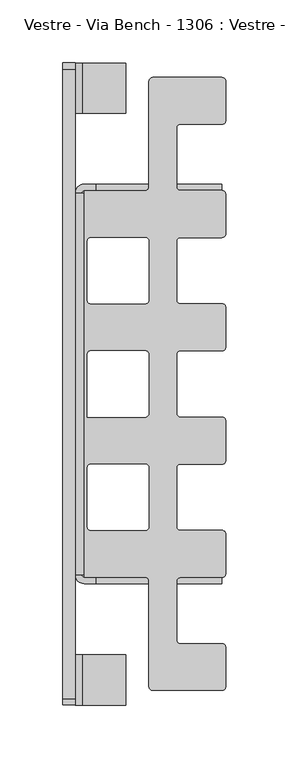
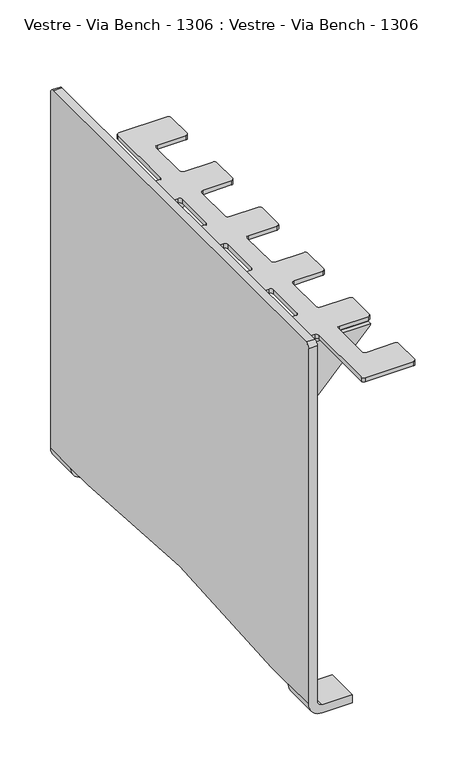
"""IFC4 building model written with IfcOpenShell, lengths in millimetres: furniture geometry, Vestre - Via Bench - 1306 : Vestre - Via Bench - 1306."""

from ifc_helpers import new_model, si_unit, frame, origin, place, context, project, spatial, polyline, circle_curve, source, transform, mapped, element, save
from ifc_brep_helpers import plane_surface, cylinder_surface, revolved_surface, advanced_brep


def vestre_via_bench_1306_vestre_via_bench_1306_e9e37e2b(model_context):
    return source(origin(), model_context, "Body", "AdvancedBrep", [
        advanced_brep(
        [(-885.5, -29.3, 378.0003634), (-888.5, -26.3, 378.0003634), (-921.5, -26.3, 378.0003634), (-924.5, -23.3, 378.0003634), (-924.5, 23.3, 378.0003634), (-921.5, 26.3, 378.0003634), (-888.5, 26.3, 378.0003634), (-885.5, 29.3, 378.0003634), (-885.5, 60.7, 378.0003634), (-888.5, 63.7, 378.0003634), (-921.5, 63.7, 378.0003634), (-924.5, 66.7, 378.0003634), (-924.5, 113.3, 378.0003634), (-921.5, 116.3, 378.0003634), (-888.5, 116.3, 378.0003634), (-885.5, 119.3, 378.0003634), (-885.5, 150.7, 378.0003634), (-888.5, 153.7, 378.0003634), (-921.5, 153.7, 378.0003634), (-924.5, 156.7, 378.0003634), (-924.5, 203.3, 378.0003634), (-921.5, 206.3, 378.0003634), (-888.5, 206.3, 378.0003634), (-885.5, 209.3, 378.0003634), (-885.5, 240.5, 378.0003634), (-888.5, 243.5, 378.0003634), (-943.5, 243.5, 378.0003634), (-946.5, 240.5, 378.0003634), (-946.5, 156.6, 378.0003634), (-949.5, 153.6, 378.0003634), (-998.0, 153.6, 378.0003634), (-998.0, 151.6, 378.0003634), (-998.0, -151.6, 378.0003634), (-998.0, -153.6, 378.0003634), (-949.5, -153.6, 378.0003634), (-946.5, -156.6, 378.0003634), (-946.5, -240.5, 378.0003634), (-943.5, -243.5, 378.0003634), (-888.5, -243.5, 378.0003634), (-885.5, -240.5, 378.0003634), (-885.5, -209.3, 378.0003634), (-888.5, -206.3, 378.0003634), (-921.5, -206.3, 378.0003634), (-924.5, -203.3, 378.0003634), (-924.5, -156.7, 378.0003634), (-921.5, -153.7, 378.0003634), (-888.5, -153.7, 378.0003634), (-885.5, -150.7, 378.0003634), (-885.5, -119.3, 378.0003634), (-888.5, -116.3, 378.0003634), (-921.5, -116.3, 378.0003634), (-924.5, -113.3, 378.0003634), (-924.5, -66.7, 378.0003634), (-921.5, -63.7, 378.0003634), (-888.5, -63.7, 378.0003634), (-885.5, -60.7, 378.0003634), (-949.5, -63.7, 378.0003634), (-946.5, -66.7, 378.0003634), (-946.5, -113.3, 378.0003634), (-949.5, -116.3, 378.0003634), (-992.5, -116.3, 378.0003634), (-995.5, -113.3, 378.0003634), (-995.5, -66.7, 378.0003634), (-992.5, -63.7, 378.0003634), (-949.5, 26.3, 378.0003634), (-946.5, 23.3, 378.0003634), (-946.5, -23.3, 378.0003634), (-949.5, -26.3, 378.0003634), (-995.5, -26.3, 378.0003634), (-995.5, 23.3, 378.0003634), (-992.5, 26.3, 378.0003634), (-949.5, 116.3, 378.0003634), (-946.5, 113.3, 378.0003634), (-946.5, 66.7, 378.0003634), (-949.5, 63.7, 378.0003634), (-992.5, 63.7, 378.0003634), (-995.5, 66.7, 378.0003634), (-995.5, 113.3, 378.0003634), (-992.5, 116.3, 378.0003634), (-885.5, -29.3, 373.0003634), (-885.5, -60.7, 373.0003634), (-888.5, -63.7, 373.0003634), (-921.5, -63.7, 373.0003634), (-924.5, -66.7, 373.0003634), (-924.5, -113.3, 373.0003634), (-921.5, -116.3, 373.0003634), (-888.5, -116.3, 373.0003634), (-885.5, -119.3, 373.0003634), (-885.5, -150.7, 373.0003634), (-888.5, -153.7, 373.0003634), (-921.5, -153.7, 373.0003634), (-924.5, -156.7, 373.0003634), (-924.5, -203.3, 373.0003634), (-921.5, -206.3, 373.0003634), (-888.5, -206.3, 373.0003634), (-885.5, -209.3, 373.0003634), (-885.5, -240.5, 373.0003634), (-888.5, -243.5, 373.0003634), (-943.5, -243.5, 373.0003634), (-946.5, -240.5, 373.0003634), (-946.5, -156.6, 373.0003634), (-949.5, -153.6, 373.0003634), (-998.0, -153.6, 373.0003634), (-998.0, -151.6, 373.0003634), (-998.0, 151.6, 373.0003634), (-998.0, 153.6, 373.0003634), (-949.5, 153.6, 373.0003634), (-946.5, 156.6, 373.0003634), (-946.5, 240.5, 373.0003634), (-943.5, 243.5, 373.0003634), (-888.5, 243.5, 373.0003634), (-885.5, 240.5, 373.0003634), (-885.5, 209.3, 373.0003634), (-888.5, 206.3, 373.0003634), (-921.5, 206.3, 373.0003634), (-924.5, 203.3, 373.0003634), (-924.5, 156.7, 373.0003634), (-921.5, 153.7, 373.0003634), (-888.5, 153.7, 373.0003634), (-885.5, 150.7, 373.0003634), (-885.5, 119.3, 373.0003634), (-888.5, 116.3, 373.0003634), (-921.5, 116.3, 373.0003634), (-924.5, 113.3, 373.0003634), (-924.5, 66.7, 373.0003634), (-921.5, 63.7, 373.0003634), (-888.5, 63.7, 373.0003634), (-885.5, 60.7, 373.0003634), (-885.5, 29.3, 373.0003634), (-888.5, 26.3, 373.0003634), (-921.5, 26.3, 373.0003634), (-924.5, 23.3, 373.0003634), (-924.5, -23.3, 373.0003634), (-921.5, -26.3, 373.0003634), (-888.5, -26.3, 373.0003634), (-949.5, -63.7, 373.0003634), (-992.5, -63.7, 373.0003634), (-995.5, -66.7, 373.0003634), (-995.5, -113.3, 373.0003634), (-992.5, -116.3, 373.0003634), (-949.5, -116.3, 373.0003634), (-946.5, -113.3, 373.0003634), (-946.5, -66.7, 373.0003634), (-949.5, 26.3, 373.0003634), (-992.5, 26.3, 373.0003634), (-995.5, 23.3, 373.0003634), (-995.5, -26.3, 373.0003634), (-949.5, -26.3, 373.0003634), (-946.5, -23.3, 373.0003634), (-946.5, 23.3, 373.0003634), (-949.5, 116.3, 373.0003634), (-992.5, 116.3, 373.0003634), (-995.5, 113.3, 373.0003634), (-995.5, 66.7, 373.0003634), (-992.5, 63.7, 373.0003634), (-949.5, 63.7, 373.0003634), (-946.5, 66.7, 373.0003634), (-946.5, 113.3, 373.0003634), (-1005.0, -151.6, 371.0003634), (-1000.0, -151.6, 371.0003634), (-1000.0, 151.6, 371.0003634), (-1005.0, 151.6, 371.0003634), (-1005.0, 151.6, 275.8503634), (-1005.0, -151.6, 275.8503634), (-998.0, 158.6, 275.8503634), (-979.2967433, 158.6, 275.8503634), (-979.2967433, 153.6, 275.8503634), (-998.0, 153.6, 275.8503634), (-1000.0, 151.6, 275.8503634), (-1000.0, -151.6, 275.8503634), (-998.0, -153.6, 275.8503634), (-979.2967433, -153.6, 275.8503634), (-979.2967433, -158.6, 275.8503634), (-998.0, -158.6, 275.8503634), (-988.5, -153.6, 371.0003634), (-998.0, -153.6, 371.0003634), (-998.0, -158.6, 371.0003634), (-988.5, -158.6, 371.0003634), (-988.5, -153.6, 372.0003634), (-888.5, -153.6, 372.0003634), (-889.3083814, -153.6, 370.1409501), (-977.1115366, -153.6, 276.7949141), (-977.1115366, -158.6, 276.7949141), (-889.3083814, -158.6, 370.1409501), (-888.5, -158.6, 372.0003634), (-988.5, -158.6, 372.0003634), (-988.5, 158.6, 371.0003634), (-998.0, 158.6, 371.0003634), (-998.0, 153.6, 371.0003634), (-988.5, 153.6, 371.0003634), (-977.1115366, 153.6, 276.7949141), (-889.3083814, 153.6, 370.1409501), (-888.5, 153.6, 372.0003634), (-988.5, 153.6, 372.0003634), (-988.5, 158.6, 372.0003634), (-888.5, 158.6, 372.0003634), (-889.3083814, 158.6, 370.1409501), (-977.1115366, 158.6, 276.7949141)],
        [
            (0, 1, circle_curve(frame((-888.5, -29.3, 378.0003634), z_axis=(0.0, 0.0, 1.0), x_axis=(0.0, 1.0, 0.0)), 3.0)),
            (1, 2),
            (2, 3, circle_curve(frame((-921.5, -23.3, 378.0003634), z_axis=(0.0, 0.0, -1.0), x_axis=(0.0, -1.0, 0.0)), 3.0)),
            (3, 4),
            (4, 5, circle_curve(frame((-921.5, 23.3, 378.0003634), z_axis=(0.0, 0.0, -1.0), x_axis=(-1.0, 0.0, 0.0)), 3.0)),
            (5, 6),
            (6, 7, circle_curve(frame((-888.5, 29.3, 378.0003634), z_axis=(0.0, 0.0, 1.0), x_axis=(1.0, 0.0, 0.0)), 3.0)),
            (7, 8),
            (8, 9, circle_curve(frame((-888.5, 60.7, 378.0003634), z_axis=(0.0, 0.0, 1.0), x_axis=(0.0, 1.0, 0.0)), 3.0)),
            (9, 10),
            (10, 11, circle_curve(frame((-921.5, 66.7, 378.0003634), z_axis=(0.0, 0.0, -1.0), x_axis=(0.0, -1.0, 0.0)), 3.0)),
            (11, 12),
            (12, 13, circle_curve(frame((-921.5, 113.3, 378.0003634), z_axis=(0.0, 0.0, -1.0), x_axis=(-1.0, 0.0, 0.0)), 3.0)),
            (13, 14),
            (14, 15, circle_curve(frame((-888.5, 119.3, 378.0003634), z_axis=(0.0, 0.0, 1.0), x_axis=(1.0, 0.0, 0.0)), 3.0)),
            (15, 16),
            (16, 17, circle_curve(frame((-888.5, 150.7, 378.0003634), z_axis=(0.0, 0.0, 1.0), x_axis=(0.0, 1.0, 0.0)), 3.0)),
            (17, 18),
            (18, 19, circle_curve(frame((-921.5, 156.7, 378.0003634), z_axis=(0.0, 0.0, -1.0), x_axis=(0.0, -1.0, 0.0)), 3.0)),
            (19, 20),
            (20, 21, circle_curve(frame((-921.5, 203.3, 378.0003634), z_axis=(0.0, 0.0, -1.0), x_axis=(-1.0, 0.0, 0.0)), 3.0)),
            (21, 22),
            (22, 23, circle_curve(frame((-888.5, 209.3, 378.0003634), z_axis=(0.0, 0.0, 1.0), x_axis=(1.0, 0.0, 0.0)), 3.0)),
            (23, 24),
            (24, 25, circle_curve(frame((-888.5, 240.5, 378.0003634), z_axis=(0.0, 0.0, 1.0), x_axis=(0.0, 1.0, 0.0)), 3.0)),
            (25, 26),
            (26, 27, circle_curve(frame((-943.5, 240.5, 378.0003634), z_axis=(0.0, 0.0, 1.0), x_axis=(0.0, 1.0, 0.0)), 3.0)),
            (27, 28),
            (28, 29, circle_curve(frame((-949.5, 156.6, 378.0003634), z_axis=(0.0, 0.0, -1.0), x_axis=(1.0, 0.0, 0.0)), 3.0)),
            (29, 30),
            (30, 31),
            (31, 32),
            (32, 33),
            (33, 34),
            (34, 35, circle_curve(frame((-949.5, -156.6, 378.0003634), z_axis=(0.0, 0.0, -1.0), x_axis=(0.0, 1.0, 0.0)), 3.0)),
            (35, 36),
            (36, 37, circle_curve(frame((-943.5, -240.5, 378.0003634), z_axis=(0.0, 0.0, 1.0), x_axis=(0.0, -1.0, 0.0)), 3.0)),
            (37, 38),
            (38, 39, circle_curve(frame((-888.5, -240.5, 378.0003634), z_axis=(0.0, 0.0, 1.0), x_axis=(1.0, 0.0, 0.0)), 3.0)),
            (39, 40),
            (40, 41, circle_curve(frame((-888.5, -209.3, 378.0003634), z_axis=(0.0, 0.0, 1.0), x_axis=(0.0, 1.0, 0.0)), 3.0)),
            (41, 42),
            (42, 43, circle_curve(frame((-921.5, -203.3, 378.0003634), z_axis=(0.0, 0.0, -1.0), x_axis=(0.0, -1.0, 0.0)), 3.0)),
            (43, 44),
            (44, 45, circle_curve(frame((-921.5, -156.7, 378.0003634), z_axis=(0.0, 0.0, -1.0), x_axis=(-1.0, 0.0, 0.0)), 3.0)),
            (45, 46),
            (46, 47, circle_curve(frame((-888.5, -150.7, 378.0003634), z_axis=(0.0, 0.0, 1.0), x_axis=(1.0, 0.0, 0.0)), 3.0)),
            (47, 48),
            (48, 49, circle_curve(frame((-888.5, -119.3, 378.0003634), z_axis=(0.0, 0.0, 1.0), x_axis=(0.0, 1.0, 0.0)), 3.0)),
            (49, 50),
            (50, 51, circle_curve(frame((-921.5, -113.3, 378.0003634), z_axis=(0.0, 0.0, -1.0), x_axis=(0.0, -1.0, 0.0)), 3.0)),
            (51, 52),
            (52, 53, circle_curve(frame((-921.5, -66.7, 378.0003634), z_axis=(0.0, 0.0, -1.0), x_axis=(-1.0, 0.0, 0.0)), 3.0)),
            (53, 54),
            (54, 55, circle_curve(frame((-888.5, -60.7, 378.0003634), z_axis=(0.0, 0.0, 1.0), x_axis=(1.0, 0.0, 0.0)), 3.0)),
            (55, 0),
            (56, 57, circle_curve(frame((-949.5, -66.7, 378.0003634), z_axis=(0.0, 0.0, -1.0), x_axis=(0.0, 1.0, 0.0)), 3.0)),
            (57, 58),
            (58, 59, circle_curve(frame((-949.5, -113.3, 378.0003634), z_axis=(0.0, 0.0, -1.0), x_axis=(1.0, 0.0, 0.0)), 3.0)),
            (59, 60),
            (60, 61, circle_curve(frame((-992.5, -113.3, 378.0003634), z_axis=(0.0, 0.0, -1.0), x_axis=(0.0, -1.0, 0.0)), 3.0)),
            (61, 62),
            (62, 63, circle_curve(frame((-992.5, -66.7, 378.0003634), z_axis=(0.0, 0.0, -1.0), x_axis=(-1.0, 0.0, 0.0)), 3.0)),
            (63, 56),
            (64, 65, circle_curve(frame((-949.5, 23.3, 378.0003634), z_axis=(0.0, 0.0, -1.0), x_axis=(0.0, 1.0, 0.0)), 3.0)),
            (65, 66),
            (66, 67, circle_curve(frame((-949.5, -23.3, 378.0003634), z_axis=(0.0, 0.0, -1.0), x_axis=(1.0, 0.0, 0.0)), 3.0)),
            (67, 68),
            (68, 69),
            (69, 70, circle_curve(frame((-992.5, 23.3, 378.0003634), z_axis=(0.0, 0.0, -1.0), x_axis=(-1.0, 0.0, 0.0)), 3.0)),
            (70, 64),
            (71, 72, circle_curve(frame((-949.5, 113.3, 378.0003634), z_axis=(0.0, 0.0, -1.0), x_axis=(0.0, 1.0, 0.0)), 3.0)),
            (72, 73),
            (73, 74, circle_curve(frame((-949.5, 66.7, 378.0003634), z_axis=(0.0, 0.0, -1.0), x_axis=(1.0, 0.0, 0.0)), 3.0)),
            (74, 75),
            (75, 76, circle_curve(frame((-992.5, 66.7, 378.0003634), z_axis=(0.0, 0.0, -1.0), x_axis=(0.0, -1.0, 0.0)), 3.0)),
            (76, 77),
            (77, 78, circle_curve(frame((-992.5, 113.3, 378.0003634), z_axis=(0.0, 0.0, -1.0), x_axis=(-1.0, 0.0, 0.0)), 3.0)),
            (78, 71),
            (79, 80),
            (80, 81, circle_curve(frame((-888.5, -60.7, 373.0003634), z_axis=(0.0, 0.0, -1.0), x_axis=(1.0, 0.0, 0.0)), 3.0)),
            (81, 82),
            (82, 83, circle_curve(frame((-921.5, -66.7, 373.0003634), z_axis=(0.0, 0.0, 1.0), x_axis=(-1.0, 0.0, 0.0)), 3.0)),
            (83, 84),
            (84, 85, circle_curve(frame((-921.5, -113.3, 373.0003634), z_axis=(0.0, 0.0, 1.0), x_axis=(0.0, -1.0, 0.0)), 3.0)),
            (85, 86),
            (86, 87, circle_curve(frame((-888.5, -119.3, 373.0003634), z_axis=(0.0, 0.0, -1.0), x_axis=(0.0, 1.0, 0.0)), 3.0)),
            (87, 88),
            (88, 89, circle_curve(frame((-888.5, -150.7, 373.0003634), z_axis=(0.0, 0.0, -1.0), x_axis=(1.0, 0.0, 0.0)), 3.0)),
            (89, 90),
            (90, 91, circle_curve(frame((-921.5, -156.7, 373.0003634), z_axis=(0.0, 0.0, 1.0), x_axis=(-1.0, 0.0, 0.0)), 3.0)),
            (91, 92),
            (92, 93, circle_curve(frame((-921.5, -203.3, 373.0003634), z_axis=(0.0, 0.0, 1.0), x_axis=(0.0, -1.0, 0.0)), 3.0)),
            (93, 94),
            (94, 95, circle_curve(frame((-888.5, -209.3, 373.0003634), z_axis=(0.0, 0.0, -1.0), x_axis=(0.0, 1.0, 0.0)), 3.0)),
            (95, 96),
            (96, 97, circle_curve(frame((-888.5, -240.5, 373.0003634), z_axis=(0.0, 0.0, -1.0), x_axis=(1.0, 0.0, 0.0)), 3.0)),
            (97, 98),
            (98, 99, circle_curve(frame((-943.5, -240.5, 373.0003634), z_axis=(0.0, 0.0, -1.0), x_axis=(0.0, -1.0, 0.0)), 3.0)),
            (99, 100),
            (100, 101, circle_curve(frame((-949.5, -156.6, 373.0003634), z_axis=(0.0, 0.0, 1.0), x_axis=(0.0, 1.0, 0.0)), 3.0)),
            (101, 102),
            (102, 103),
            (103, 104),
            (104, 105),
            (105, 106),
            (106, 107, circle_curve(frame((-949.5, 156.6, 373.0003634), z_axis=(0.0, 0.0, 1.0), x_axis=(1.0, 0.0, 0.0)), 3.0)),
            (107, 108),
            (108, 109, circle_curve(frame((-943.5, 240.5, 373.0003634), z_axis=(0.0, 0.0, -1.0), x_axis=(0.0, 1.0, 0.0)), 3.0)),
            (109, 110),
            (110, 111, circle_curve(frame((-888.5, 240.5, 373.0003634), z_axis=(0.0, 0.0, -1.0), x_axis=(0.0, 1.0, 0.0)), 3.0)),
            (111, 112),
            (112, 113, circle_curve(frame((-888.5, 209.3, 373.0003634), z_axis=(0.0, 0.0, -1.0), x_axis=(1.0, 0.0, 0.0)), 3.0)),
            (113, 114),
            (114, 115, circle_curve(frame((-921.5, 203.3, 373.0003634), z_axis=(0.0, 0.0, 1.0), x_axis=(-1.0, 0.0, 0.0)), 3.0)),
            (115, 116),
            (116, 117, circle_curve(frame((-921.5, 156.7, 373.0003634), z_axis=(0.0, 0.0, 1.0), x_axis=(0.0, -1.0, 0.0)), 3.0)),
            (117, 118),
            (118, 119, circle_curve(frame((-888.5, 150.7, 373.0003634), z_axis=(0.0, 0.0, -1.0), x_axis=(0.0, 1.0, 0.0)), 3.0)),
            (119, 120),
            (120, 121, circle_curve(frame((-888.5, 119.3, 373.0003634), z_axis=(0.0, 0.0, -1.0), x_axis=(1.0, 0.0, 0.0)), 3.0)),
            (121, 122),
            (122, 123, circle_curve(frame((-921.5, 113.3, 373.0003634), z_axis=(0.0, 0.0, 1.0), x_axis=(-1.0, 0.0, 0.0)), 3.0)),
            (123, 124),
            (124, 125, circle_curve(frame((-921.5, 66.7, 373.0003634), z_axis=(0.0, 0.0, 1.0), x_axis=(0.0, -1.0, 0.0)), 3.0)),
            (125, 126),
            (126, 127, circle_curve(frame((-888.5, 60.7, 373.0003634), z_axis=(0.0, 0.0, -1.0), x_axis=(0.0, 1.0, 0.0)), 3.0)),
            (127, 128),
            (128, 129, circle_curve(frame((-888.5, 29.3, 373.0003634), z_axis=(0.0, 0.0, -1.0), x_axis=(1.0, 0.0, 0.0)), 3.0)),
            (129, 130),
            (130, 131, circle_curve(frame((-921.5, 23.3, 373.0003634), z_axis=(0.0, 0.0, 1.0), x_axis=(-1.0, 0.0, 0.0)), 3.0)),
            (131, 132),
            (132, 133, circle_curve(frame((-921.5, -23.3, 373.0003634), z_axis=(0.0, 0.0, 1.0), x_axis=(0.0, -1.0, 0.0)), 3.0)),
            (133, 134),
            (134, 79, circle_curve(frame((-888.5, -29.3, 373.0003634), z_axis=(0.0, 0.0, -1.0), x_axis=(0.0, 1.0, 0.0)), 3.0)),
            (135, 136),
            (136, 137, circle_curve(frame((-992.5, -66.7, 373.0003634), z_axis=(0.0, 0.0, 1.0), x_axis=(-1.0, 0.0, 0.0)), 3.0)),
            (137, 138),
            (138, 139, circle_curve(frame((-992.5, -113.3, 373.0003634), z_axis=(0.0, 0.0, 1.0), x_axis=(0.0, -1.0, 0.0)), 3.0)),
            (139, 140),
            (140, 141, circle_curve(frame((-949.5, -113.3, 373.0003634), z_axis=(0.0, 0.0, 1.0), x_axis=(1.0, 0.0, 0.0)), 3.0)),
            (141, 142),
            (142, 135, circle_curve(frame((-949.5, -66.7, 373.0003634), z_axis=(0.0, 0.0, 1.0), x_axis=(0.0, 1.0, 0.0)), 3.0)),
            (143, 144),
            (144, 145, circle_curve(frame((-992.5, 23.3, 373.0003634), z_axis=(0.0, 0.0, 1.0), x_axis=(-1.0, 0.0, 0.0)), 3.0)),
            (145, 146),
            (146, 147),
            (147, 148, circle_curve(frame((-949.5, -23.3, 373.0003634), z_axis=(0.0, 0.0, 1.0), x_axis=(1.0, 0.0, 0.0)), 3.0)),
            (148, 149),
            (149, 143, circle_curve(frame((-949.5, 23.3, 373.0003634), z_axis=(0.0, 0.0, 1.0), x_axis=(0.0, 1.0, 0.0)), 3.0)),
            (150, 151),
            (151, 152, circle_curve(frame((-992.5, 113.3, 373.0003634), z_axis=(0.0, 0.0, 1.0), x_axis=(-1.0, 0.0, 0.0)), 3.0)),
            (152, 153),
            (153, 154, circle_curve(frame((-992.5, 66.7, 373.0003634), z_axis=(0.0, 0.0, 1.0), x_axis=(0.0, -1.0, 0.0)), 3.0)),
            (154, 155),
            (155, 156, circle_curve(frame((-949.5, 66.7, 373.0003634), z_axis=(0.0, 0.0, 1.0), x_axis=(1.0, 0.0, 0.0)), 3.0)),
            (156, 157),
            (157, 150, circle_curve(frame((-949.5, 113.3, 373.0003634), z_axis=(0.0, 0.0, 1.0), x_axis=(0.0, 1.0, 0.0)), 3.0)),
            (0, 79),
            (134, 1),
            (133, 2),
            (132, 3),
            (131, 4),
            (130, 5),
            (129, 6),
            (128, 7),
            (127, 8),
            (126, 9),
            (125, 10),
            (124, 11),
            (123, 12),
            (122, 13),
            (121, 14),
            (120, 15),
            (119, 16),
            (118, 17),
            (117, 18),
            (116, 19),
            (115, 20),
            (114, 21),
            (113, 22),
            (112, 23),
            (111, 24),
            (110, 25),
            (109, 26),
            (108, 27),
            (107, 28),
            (106, 29),
            (105, 30),
            (104, 31),
            (32, 103),
            (102, 33),
            (101, 34),
            (100, 35),
            (99, 36),
            (98, 37),
            (97, 38),
            (96, 39),
            (95, 40),
            (94, 41),
            (93, 42),
            (92, 43),
            (91, 44),
            (90, 45),
            (89, 46),
            (88, 47),
            (87, 48),
            (86, 49),
            (85, 50),
            (84, 51),
            (83, 52),
            (82, 53),
            (81, 54),
            (80, 55),
            (56, 135),
            (142, 57),
            (141, 58),
            (140, 59),
            (139, 60),
            (138, 61),
            (137, 62),
            (136, 63),
            (64, 143),
            (149, 65),
            (148, 66),
            (147, 67),
            (146, 68),
            (145, 69),
            (144, 70),
            (71, 150),
            (157, 72),
            (156, 73),
            (155, 74),
            (154, 75),
            (153, 76),
            (152, 77),
            (151, 78),
            (32, 158, circle_curve(frame((-998.0, -151.6, 371.0003634), z_axis=(0.0, -1.0, 0.0), x_axis=(1.0, 0.0, 0.0)), 7.0)),
            (158, 159),
            (159, 103, circle_curve(frame((-998.0, -151.6, 371.0003634), z_axis=(0.0, 1.0, 0.0), x_axis=(1.0, 0.0, 0.0)), 2.0)),
            (104, 160, circle_curve(frame((-998.0, 151.6, 371.0003634), z_axis=(0.0, -1.0, 0.0), x_axis=(1.0, 0.0, 0.0)), 2.0)),
            (160, 161),
            (161, 31, circle_curve(frame((-998.0, 151.6, 371.0003634), z_axis=(0.0, 1.0, 0.0), x_axis=(1.0, 0.0, 0.0)), 7.0)),
            (161, 158),
            (159, 160),
            (161, 162),
            (162, 163),
            (163, 158),
            (162, 164, circle_curve(frame((-998.0, 151.6, 275.8503634), z_axis=(0.0, 0.0, -1.0), x_axis=(1.0, 0.0, 0.0)), 7.0)),
            (164, 165),
            (165, 166),
            (166, 167),
            (167, 168, circle_curve(frame((-998.0, 151.6, 275.8503634), z_axis=(0.0, 0.0, 1.0), x_axis=(1.0, 0.0, 0.0)), 2.0)),
            (168, 169),
            (169, 170, circle_curve(frame((-998.0, -151.6, 275.8503634), z_axis=(0.0, 0.0, 1.0), x_axis=(1.0, 0.0, 0.0)), 2.0)),
            (170, 171),
            (171, 172),
            (172, 173),
            (173, 163, circle_curve(frame((-998.0, -151.6, 275.8503634), z_axis=(0.0, 0.0, -1.0), x_axis=(1.0, 0.0, 0.0)), 7.0)),
            (159, 169),
            (168, 160),
            (174, 175),
            (175, 159, circle_curve(frame((-998.0, -151.6, 371.0003634), z_axis=(0.0, 0.0, -1.0), x_axis=(1.0, 0.0, 0.0)), 2.0)),
            (158, 176, circle_curve(frame((-998.0, -151.6, 371.0003634), z_axis=(0.0, 0.0, 1.0), x_axis=(1.0, 0.0, 0.0)), 7.0)),
            (176, 177),
            (177, 174),
            (174, 178),
            (178, 179),
            (179, 180, circle_curve(frame((-891.4935881, -153.6, 372.1963993), z_axis=(0.0, 1.0, 0.0), x_axis=(0.9978627112267325, 0.0, -0.06534531003243231)), 3.0)),
            (180, 181),
            (181, 171, circle_curve(frame((-979.2967433, -153.6, 278.8503634), z_axis=(0.0, 1.0, 0.0), x_axis=(0.0, 0.0, -1.0)), 3.0)),
            (170, 175),
            (173, 176),
            (172, 182, circle_curve(frame((-979.2967433, -158.6, 278.8503634), z_axis=(0.0, -1.0, 0.0), x_axis=(0.0, 0.0, -1.0)), 3.0)),
            (182, 183),
            (183, 184, circle_curve(frame((-891.4935881, -158.6, 372.1963993), z_axis=(0.0, -1.0, 0.0), x_axis=(0.9978627112267325, 0.0, -0.06534531003243231)), 3.0)),
            (184, 185),
            (185, 177),
            (186, 187),
            (187, 161, circle_curve(frame((-998.0, 151.6, 371.0003634), z_axis=(0.0, 0.0, 1.0), x_axis=(1.0, 0.0, 0.0)), 7.0)),
            (160, 188, circle_curve(frame((-998.0, 151.6, 371.0003634), z_axis=(0.0, 0.0, -1.0), x_axis=(1.0, 0.0, 0.0)), 2.0)),
            (188, 189),
            (189, 186),
            (188, 167),
            (166, 190, circle_curve(frame((-979.2967433, 153.6, 278.8503634), z_axis=(0.0, -1.0, 0.0), x_axis=(0.0, 0.0, -1.0)), 3.0)),
            (190, 191),
            (191, 192, circle_curve(frame((-891.4935881, 153.6, 372.1963993), z_axis=(0.0, -1.0, 0.0), x_axis=(0.9978627112267325, 0.0, -0.06534531003243231)), 3.0)),
            (192, 193),
            (193, 189),
            (187, 164),
            (186, 194),
            (194, 195),
            (195, 196, circle_curve(frame((-891.4935881, 158.6, 372.1963993), z_axis=(0.0, 1.0, 0.0), x_axis=(0.9978627112267325, 0.0, -0.06534531003243231)), 3.0)),
            (196, 197),
            (197, 165, circle_curve(frame((-979.2967433, 158.6, 278.8503634), z_axis=(0.0, 1.0, 0.0), x_axis=(0.0, 0.0, -1.0)), 3.0)),
            (183, 180),
            (179, 184),
            (178, 185),
            (181, 182),
            (195, 192),
            (191, 196),
            (194, 193),
            (197, 190),
        ],
        [
            plane_surface(frame((-888.5, -26.3, 378.0003634), z_axis=(0.0, 0.0, 1.0), x_axis=(-1.0, 0.0, 0.0))),
            plane_surface(frame((-888.5, -26.3, 373.0003634), z_axis=(0.0, 0.0, -1.0), x_axis=(1.0, 0.0, 0.0))),
            cylinder_surface(frame((-888.5, -29.3, 373.0003634), z_axis=(0.0, 0.0, 1.0), x_axis=(0.0, 1.0, 0.0)), 3.0),
            plane_surface(frame((-888.5, -26.3, 378.0003634), z_axis=(0.0, 1.0, 0.0), x_axis=(0.0, 0.0, -1.0))),
            revolved_surface(polyline([(-921.5, -26.3, 373.0003634), (-921.5, -26.3, 378.0003634)]), (-921.5, -23.3, 373.0003634), (0.0, 0.0, -1.0)),
            plane_surface(frame((-924.5, -23.3, 378.0003634), z_axis=(1.0, 0.0, 0.0), x_axis=(0.0, 0.0, -1.0))),
            revolved_surface(polyline([(-924.5, 23.3, 373.0003634), (-924.5, 23.3, 378.0003634)]), (-921.5, 23.3, 373.0003634), (0.0, 0.0, -1.0)),
            plane_surface(frame((-921.5, 26.3, 378.0003634), z_axis=(0.0, -1.0, 0.0), x_axis=(0.0, 0.0, -1.0))),
            cylinder_surface(frame((-888.5, 29.3, 373.0003634), z_axis=(0.0, 0.0, 1.0), x_axis=(1.0, 0.0, 0.0)), 3.0),
            plane_surface(frame((-885.5, 29.3, 378.0003634), z_axis=(1.0, 0.0, 0.0), x_axis=(0.0, 0.0, -1.0))),
            cylinder_surface(frame((-888.5, 60.7, 373.0003634), z_axis=(0.0, 0.0, 1.0), x_axis=(0.0, 1.0, 0.0)), 3.0),
            plane_surface(frame((-888.5, 63.7, 378.0003634), z_axis=(0.0, 1.0, 0.0), x_axis=(0.0, 0.0, -1.0))),
            revolved_surface(polyline([(-921.5, 63.7, 373.0003634), (-921.5, 63.7, 378.0003634)]), (-921.5, 66.7, 373.0003634), (0.0, 0.0, -1.0)),
            plane_surface(frame((-924.5, 66.7, 378.0003634), z_axis=(1.0, 0.0, 0.0), x_axis=(0.0, 0.0, -1.0))),
            revolved_surface(polyline([(-924.5, 113.3, 373.0003634), (-924.5, 113.3, 378.0003634)]), (-921.5, 113.3, 373.0003634), (0.0, 0.0, -1.0)),
            plane_surface(frame((-921.5, 116.3, 378.0003634), z_axis=(0.0, -1.0, 0.0), x_axis=(0.0, 0.0, -1.0))),
            cylinder_surface(frame((-888.5, 119.3, 373.0003634), z_axis=(0.0, 0.0, 1.0), x_axis=(1.0, 0.0, 0.0)), 3.0),
            plane_surface(frame((-885.5, 119.3, 378.0003634), z_axis=(1.0, 0.0, 0.0), x_axis=(0.0, 0.0, -1.0))),
            cylinder_surface(frame((-888.5, 150.7, 373.0003634), z_axis=(0.0, 0.0, 1.0), x_axis=(0.0, 1.0, 0.0)), 3.0),
            plane_surface(frame((-888.5, 153.7, 378.0003634), z_axis=(0.0, 1.0, 0.0), x_axis=(0.0, 0.0, -1.0))),
            revolved_surface(polyline([(-921.5, 153.7, 373.0003634), (-921.5, 153.7, 378.0003634)]), (-921.5, 156.7, 373.0003634), (0.0, 0.0, -1.0)),
            plane_surface(frame((-924.5, 156.7, 378.0003634), z_axis=(1.0, 0.0, 0.0), x_axis=(0.0, 0.0, -1.0))),
            revolved_surface(polyline([(-924.5, 203.3, 373.0003634), (-924.5, 203.3, 378.0003634)]), (-921.5, 203.3, 373.0003634), (0.0, 0.0, -1.0)),
            plane_surface(frame((-921.5, 206.3, 378.0003634), z_axis=(0.0, -1.0, 0.0), x_axis=(0.0, 0.0, -1.0))),
            cylinder_surface(frame((-888.5, 209.3, 373.0003634), z_axis=(0.0, 0.0, 1.0), x_axis=(1.0, 0.0, 0.0)), 3.0),
            plane_surface(frame((-885.5, 209.3, 378.0003634), z_axis=(1.0, 0.0, 0.0), x_axis=(0.0, 0.0, -1.0))),
            cylinder_surface(frame((-888.5, 240.5, 373.0003634), z_axis=(0.0, 0.0, 1.0), x_axis=(0.0, 1.0, 0.0)), 3.0),
            plane_surface(frame((-888.5, 243.5, 378.0003634), z_axis=(0.0, 1.0, 0.0), x_axis=(0.0, 0.0, -1.0))),
            cylinder_surface(frame((-943.5, 240.5, 373.0003634), z_axis=(0.0, 0.0, 1.0), x_axis=(0.0, 1.0, 0.0)), 3.0),
            plane_surface(frame((-946.5, 240.5, 378.0003634), z_axis=(-1.0, 0.0, 0.0), x_axis=(0.0, 0.0, -1.0))),
            revolved_surface(polyline([(-946.5, 156.6, 373.0003634), (-946.5, 156.6, 378.0003634)]), (-949.5, 156.6, 373.0003634), (0.0, 0.0, -1.0)),
            plane_surface(frame((-949.5, 153.6, 378.0003634), z_axis=(0.0, 1.0, 0.0), x_axis=(0.0, 0.0, -1.0))),
            plane_surface(frame((-998.0, 153.6, 378.0003634), z_axis=(-1.0, 0.0, 0.0), x_axis=(0.0, 0.0, -1.0))),
            plane_surface(frame((-998.0, -151.6, 378.0003634), z_axis=(-1.0, -5.888090015559755e-12, 0.0), x_axis=(0.0, 0.0, -1.0))),
            plane_surface(frame((-998.0, -153.6, 378.0003634), z_axis=(0.0, -1.0, 0.0), x_axis=(0.0, 0.0, -1.0))),
            revolved_surface(polyline([(-949.5, -153.6, 373.0003634), (-949.5, -153.6, 378.0003634)]), (-949.5, -156.6, 373.0003634), (0.0, 0.0, -1.0)),
            plane_surface(frame((-946.5, -156.6, 378.0003634), z_axis=(-1.0, 0.0, 0.0), x_axis=(0.0, 0.0, -1.0))),
            cylinder_surface(frame((-943.5, -240.5, 373.0003634), z_axis=(0.0, 0.0, 1.0), x_axis=(0.0, -1.0, 0.0)), 3.0),
            plane_surface(frame((-943.5, -243.5, 378.0003634), z_axis=(0.0, -1.0, 0.0), x_axis=(0.0, 0.0, -1.0))),
            cylinder_surface(frame((-888.5, -240.5, 373.0003634), z_axis=(0.0, 0.0, 1.0), x_axis=(1.0, 0.0, 0.0)), 3.0),
            plane_surface(frame((-885.5, -240.5, 378.0003634), z_axis=(1.0, 0.0, 0.0), x_axis=(0.0, 0.0, -1.0))),
            cylinder_surface(frame((-888.5, -209.3, 373.0003634), z_axis=(0.0, 0.0, 1.0), x_axis=(0.0, 1.0, 0.0)), 3.0),
            plane_surface(frame((-888.5, -206.3, 378.0003634), z_axis=(0.0, 1.0, 0.0), x_axis=(0.0, 0.0, -1.0))),
            revolved_surface(polyline([(-921.5, -206.3, 373.0003634), (-921.5, -206.3, 378.0003634)]), (-921.5, -203.3, 373.0003634), (0.0, 0.0, -1.0)),
            plane_surface(frame((-924.5, -203.3, 378.0003634), z_axis=(1.0, 0.0, 0.0), x_axis=(0.0, 0.0, -1.0))),
            revolved_surface(polyline([(-924.5, -156.7, 373.0003634), (-924.5, -156.7, 378.0003634)]), (-921.5, -156.7, 373.0003634), (0.0, 0.0, -1.0)),
            plane_surface(frame((-921.5, -153.7, 378.0003634), z_axis=(0.0, -1.0, 0.0), x_axis=(0.0, 0.0, -1.0))),
            cylinder_surface(frame((-888.5, -150.7, 373.0003634), z_axis=(0.0, 0.0, 1.0), x_axis=(1.0, 0.0, 0.0)), 3.0),
            plane_surface(frame((-885.5, -150.7, 378.0003634), z_axis=(1.0, 0.0, 0.0), x_axis=(0.0, 0.0, -1.0))),
            cylinder_surface(frame((-888.5, -119.3, 373.0003634), z_axis=(0.0, 0.0, 1.0), x_axis=(0.0, 1.0, 0.0)), 3.0),
            plane_surface(frame((-888.5, -116.3, 378.0003634), z_axis=(0.0, 1.0, 0.0), x_axis=(0.0, 0.0, -1.0))),
            revolved_surface(polyline([(-921.5, -116.3, 373.0003634), (-921.5, -116.3, 378.0003634)]), (-921.5, -113.3, 373.0003634), (0.0, 0.0, -1.0)),
            plane_surface(frame((-924.5, -113.3, 378.0003634), z_axis=(1.0, 0.0, 0.0), x_axis=(0.0, 0.0, -1.0))),
            revolved_surface(polyline([(-924.5, -66.7, 373.0003634), (-924.5, -66.7, 378.0003634)]), (-921.5, -66.7, 373.0003634), (0.0, 0.0, -1.0)),
            plane_surface(frame((-921.5, -63.7, 378.0003634), z_axis=(0.0, -1.0, 0.0), x_axis=(0.0, 0.0, -1.0))),
            cylinder_surface(frame((-888.5, -60.7, 373.0003634), z_axis=(0.0, 0.0, 1.0), x_axis=(1.0, 0.0, 0.0)), 3.0),
            plane_surface(frame((-885.5, -60.7, 378.0003634), z_axis=(1.0, 0.0, 0.0), x_axis=(0.0, 0.0, -1.0))),
            revolved_surface(polyline([(-949.5, -63.7, 373.0003634), (-949.5, -63.7, 378.0003634)]), (-949.5, -66.7, 0.0), (0.0, 0.0, -1.0)),
            plane_surface(frame((-946.5, -66.7, 378.0003634), z_axis=(-1.0, 0.0, 0.0), x_axis=(0.0, 0.0, -1.0))),
            revolved_surface(polyline([(-946.5, -113.3, 373.0003634), (-946.5, -113.3, 378.0003634)]), (-949.5, -113.3, 0.0), (0.0, 0.0, -1.0)),
            plane_surface(frame((-949.5, -116.3, 378.0003634), z_axis=(0.0, 1.0, 0.0), x_axis=(0.0, 0.0, -1.0))),
            revolved_surface(polyline([(-992.5, -116.3, 373.0003634), (-992.5, -116.3, 378.0003634)]), (-992.5, -113.3, 0.0), (0.0, 0.0, -1.0)),
            plane_surface(frame((-995.5, -113.3, 378.0003634), z_axis=(1.0, 0.0, 0.0), x_axis=(0.0, 0.0, -1.0))),
            revolved_surface(polyline([(-995.5, -66.7, 373.0003634), (-995.5, -66.7, 378.0003634)]), (-992.5, -66.7, 0.0), (0.0, 0.0, -1.0)),
            plane_surface(frame((-992.5, -63.7, 378.0003634), z_axis=(0.0, -1.0, 0.0), x_axis=(0.0, 0.0, -1.0))),
            revolved_surface(polyline([(-949.5, 26.3, 373.0003634), (-949.5, 26.3, 378.0003634)]), (-949.5, 23.3, 0.0), (0.0, 0.0, -1.0)),
            plane_surface(frame((-946.5, 23.3, 378.0003634), z_axis=(-1.0, 0.0, 0.0), x_axis=(0.0, 0.0, -1.0))),
            revolved_surface(polyline([(-946.5, -23.3, 373.0003634), (-946.5, -23.3, 378.0003634)]), (-949.5, -23.3, 0.0), (0.0, 0.0, -1.0)),
            plane_surface(frame((-949.5, -26.3, 378.0003634), z_axis=(0.0, 1.0, 0.0), x_axis=(0.0, 0.0, -1.0))),
            plane_surface(frame((-995.5, -26.3, 378.0003634), z_axis=(1.0, 0.0, 0.0), x_axis=(0.0, 0.0, -1.0))),
            revolved_surface(polyline([(-995.5, 23.3, 373.0003634), (-995.5, 23.3, 378.0003634)]), (-992.5, 23.3, 0.0), (0.0, 0.0, -1.0)),
            plane_surface(frame((-992.5, 26.3, 378.0003634), z_axis=(0.0, -1.0, 0.0), x_axis=(0.0, 0.0, -1.0))),
            revolved_surface(polyline([(-949.5, 116.3, 373.0003634), (-949.5, 116.3, 378.0003634)]), (-949.5, 113.3, 0.0), (0.0, 0.0, -1.0)),
            plane_surface(frame((-946.5, 113.3, 378.0003634), z_axis=(-1.0, 0.0, 0.0), x_axis=(0.0, 0.0, -1.0))),
            revolved_surface(polyline([(-946.5, 66.7, 373.0003634), (-946.5, 66.7, 378.0003634)]), (-949.5, 66.7, 0.0), (0.0, 0.0, -1.0)),
            plane_surface(frame((-949.5, 63.7, 378.0003634), z_axis=(0.0, 1.0, 0.0), x_axis=(0.0, 0.0, -1.0))),
            revolved_surface(polyline([(-992.5, 63.7, 373.0003634), (-992.5, 63.7, 378.0003634)]), (-992.5, 66.7, 0.0), (0.0, 0.0, -1.0)),
            plane_surface(frame((-995.5, 66.7, 378.0003634), z_axis=(1.0, 0.0, 0.0), x_axis=(0.0, 0.0, -1.0))),
            revolved_surface(polyline([(-995.5, 113.3, 373.0003634), (-995.5, 113.3, 378.0003634)]), (-992.5, 113.3, 0.0), (0.0, 0.0, -1.0)),
            plane_surface(frame((-992.5, 116.3, 378.0003634), z_axis=(0.0, -1.0, 0.0), x_axis=(0.0, 0.0, -1.0))),
            plane_surface(frame((-998.0, -151.6, 378.0003634), z_axis=(0.0, -1.0, 0.0), x_axis=(0.0, 0.0, 1.0))),
            plane_surface(frame((-998.0, 151.6, 378.0003634), z_axis=(0.0, 1.0, 0.0), x_axis=(0.0, 0.0, -1.0))),
            cylinder_surface(frame((-998.0, 151.6, 371.0003634), z_axis=(0.0, -1.0, 0.0), x_axis=(1.0, 0.0, 0.0)), 7.0),
            revolved_surface(polyline([(-996.0, 151.6, 371.0003634), (-996.0, -151.6, 371.0003634)]), (-998.0, 151.6, 371.0003634), (0.0, 1.0, 0.0)),
            plane_surface(frame((-1005.0, -151.6, 371.0003634), z_axis=(-1.0, 0.0, 0.0), x_axis=(0.0, 1.0, 0.0))),
            plane_surface(frame((-1005.0, -151.6, 275.8503634), z_axis=(0.0, 0.0, -1.0), x_axis=(0.0, 1.0, 0.0))),
            plane_surface(frame((-1000.0, -151.6, 275.8503634), z_axis=(1.0, 0.0, 0.0), x_axis=(0.0, 1.0, 0.0))),
            plane_surface(frame((-988.5, -158.6, 371.0003634), z_axis=(0.0, 0.0, 1.0), x_axis=(0.0, 1.0, 0.0))),
            plane_surface(frame((-988.5, -153.6, 371.0003634), z_axis=(0.0, 1.0, 0.0), x_axis=(0.0, 0.0, -1.0))),
            revolved_surface(polyline([(-996.0, -151.6, 275.8503634), (-996.0, -151.6, 371.0003634)]), (-998.0, -151.6, 275.8503634), (0.0, 0.0, -1.0)),
            cylinder_surface(frame((-998.0, -151.6, 275.8503634), z_axis=(0.0, 0.0, 1.0), x_axis=(1.0, 0.0, 0.0)), 7.0),
            plane_surface(frame((-998.0, -158.6, 371.0003634), z_axis=(0.0, -1.0, 0.0), x_axis=(0.0, 0.0, -1.0))),
            plane_surface(frame((-998.0, 158.6, 371.0003634), z_axis=(0.0, 0.0, 1.0), x_axis=(-1.0, 0.0, 0.0))),
            plane_surface(frame((-998.0, 153.6, 371.0003634), z_axis=(0.0, -1.0, 0.0), x_axis=(0.0, 0.0, -1.0))),
            revolved_surface(polyline([(-996.0, 151.6, 275.8503634), (-996.0, 151.6, 371.0003634)]), (-998.0, 151.6, 275.8503634), (0.0, 0.0, -1.0)),
            cylinder_surface(frame((-998.0, 151.6, 275.8503634), z_axis=(0.0, 0.0, 1.0), x_axis=(1.0, 0.0, 0.0)), 7.0),
            plane_surface(frame((-988.5, 158.6, 371.0003634), z_axis=(0.0, 1.0, 0.0), x_axis=(0.0, 0.0, -1.0))),
            cylinder_surface(frame((-891.4935881, -153.6, 372.1963993), z_axis=(0.0, -1.0, 0.0), x_axis=(0.9978627112267325, 0.0, -0.06534531003243231)), 3.0),
            plane_surface(frame((-888.5, -158.6, 372.0003634), z_axis=(0.0, 0.0, 1.0), x_axis=(0.0, 1.0, 0.0))),
            plane_surface(frame((-988.5, -158.6, 372.0003634), z_axis=(-1.0, 0.0, 0.0), x_axis=(0.0, 1.0, 0.0))),
            cylinder_surface(frame((-979.2967433, -153.6, 278.8503634), z_axis=(0.0, -1.0, 0.0), x_axis=(0.0, 0.0, -1.0)), 3.0),
            plane_surface(frame((-977.1115366, -158.6, 276.7949141), z_axis=(0.7284022295777661, 0.0, -0.6851497587725908), x_axis=(0.0, 1.0, 0.0))),
            cylinder_surface(frame((-891.4935881, 153.6, 372.1963993), z_axis=(0.0, 1.0, 0.0), x_axis=(0.9978627112267325, 0.0, -0.06534531003243231)), 3.0),
            plane_surface(frame((-988.5, 158.6, 372.0003634), z_axis=(0.0, 0.0, 1.0), x_axis=(0.0, -1.0, 0.0))),
            plane_surface(frame((-988.5, 158.6, 371.0003634), z_axis=(-1.0, 0.0, 0.0), x_axis=(0.0, -1.0, 0.0))),
            cylinder_surface(frame((-979.2967433, 153.6, 278.8503634), z_axis=(0.0, 1.0, 0.0), x_axis=(0.0, 0.0, -1.0)), 3.0),
            plane_surface(frame((-889.3083814, 158.6, 370.1409501), z_axis=(0.7284022295777661, 0.0, -0.6851497587725908), x_axis=(0.0, -1.0, 0.0))),
        ],
        [
            (0, [[1, 2, 3, 4, 5, 6, 7, 8, 9, 10, 11, 12, 13, 14, 15, 16, 17, 18, 19, 20, 21, 22, 23, 24, 25, 26, 27, 28, 29, 30, 31, 32, 33, 34, 35, 36, 37, 38, 39, 40, 41, 42, 43, 44, 45, 46, 47, 48, 49, 50, 51, 52, 53, 54, 55, 56], [57, 58, 59, 60, 61, 62, 63, 64], [65, 66, 67, 68, 69, 70, 71], [72, 73, 74, 75, 76, 77, 78, 79]]),
            (1, [[80, 81, 82, 83, 84, 85, 86, 87, 88, 89, 90, 91, 92, 93, 94, 95, 96, 97, 98, 99, 100, 101, 102, 103, 104, 105, 106, 107, 108, 109, 110, 111, 112, 113, 114, 115, 116, 117, 118, 119, 120, 121, 122, 123, 124, 125, 126, 127, 128, 129, 130, 131, 132, 133, 134, 135], [136, 137, 138, 139, 140, 141, 142, 143], [144, 145, 146, 147, 148, 149, 150], [151, 152, 153, 154, 155, 156, 157, 158]]),
            (2, [[-1, 159, -135, 160]]),
            (3, [[-2, -160, -134, 161]]),
            (4, [[-3, -161, -133, 162]]),
            (5, [[-4, -162, -132, 163]]),
            (6, [[-5, -163, -131, 164]]),
            (7, [[-6, -164, -130, 165]]),
            (8, [[-7, -165, -129, 166]]),
            (9, [[-8, -166, -128, 167]]),
            (10, [[-9, -167, -127, 168]]),
            (11, [[-10, -168, -126, 169]]),
            (12, [[-11, -169, -125, 170]]),
            (13, [[-12, -170, -124, 171]]),
            (14, [[-13, -171, -123, 172]]),
            (15, [[-14, -172, -122, 173]]),
            (16, [[-15, -173, -121, 174]]),
            (17, [[-16, -174, -120, 175]]),
            (18, [[-17, -175, -119, 176]]),
            (19, [[-18, -176, -118, 177]]),
            (20, [[-19, -177, -117, 178]]),
            (21, [[-20, -178, -116, 179]]),
            (22, [[-21, -179, -115, 180]]),
            (23, [[-22, -180, -114, 181]]),
            (24, [[-23, -181, -113, 182]]),
            (25, [[-24, -182, -112, 183]]),
            (26, [[-25, -183, -111, 184]]),
            (27, [[-26, -184, -110, 185]]),
            (28, [[-27, -185, -109, 186]]),
            (29, [[-28, -186, -108, 187]]),
            (30, [[-29, -187, -107, 188]]),
            (31, [[-30, -188, -106, 189]]),
            (32, [[-31, -189, -105, 190]]),
            (33, [[-33, 191, -103, 192]]),
            (34, [[-34, -192, -102, 193]]),
            (35, [[-35, -193, -101, 194]]),
            (36, [[-36, -194, -100, 195]]),
            (37, [[-37, -195, -99, 196]]),
            (38, [[-38, -196, -98, 197]]),
            (39, [[-39, -197, -97, 198]]),
            (40, [[-40, -198, -96, 199]]),
            (41, [[-41, -199, -95, 200]]),
            (42, [[-42, -200, -94, 201]]),
            (43, [[-43, -201, -93, 202]]),
            (44, [[-44, -202, -92, 203]]),
            (45, [[-45, -203, -91, 204]]),
            (46, [[-46, -204, -90, 205]]),
            (47, [[-47, -205, -89, 206]]),
            (48, [[-48, -206, -88, 207]]),
            (49, [[-49, -207, -87, 208]]),
            (50, [[-50, -208, -86, 209]]),
            (51, [[-51, -209, -85, 210]]),
            (52, [[-52, -210, -84, 211]]),
            (53, [[-53, -211, -83, 212]]),
            (54, [[-54, -212, -82, 213]]),
            (55, [[-55, -213, -81, 214]]),
            (56, [[-56, -214, -80, -159]]),
            (57, [[-57, 215, -143, 216]]),
            (58, [[-58, -216, -142, 217]]),
            (59, [[-59, -217, -141, 218]]),
            (60, [[-60, -218, -140, 219]]),
            (61, [[-61, -219, -139, 220]]),
            (62, [[-62, -220, -138, 221]]),
            (63, [[-63, -221, -137, 222]]),
            (64, [[-64, -222, -136, -215]]),
            (65, [[-65, 223, -150, 224]]),
            (66, [[-66, -224, -149, 225]]),
            (67, [[-67, -225, -148, 226]]),
            (68, [[-68, -226, -147, 227]]),
            (69, [[-69, -227, -146, 228]]),
            (70, [[-70, -228, -145, 229]]),
            (71, [[-71, -229, -144, -223]]),
            (72, [[-72, 230, -158, 231]]),
            (73, [[-73, -231, -157, 232]]),
            (74, [[-74, -232, -156, 233]]),
            (75, [[-75, -233, -155, 234]]),
            (76, [[-76, -234, -154, 235]]),
            (77, [[-77, -235, -153, 236]]),
            (78, [[-78, -236, -152, 237]]),
            (79, [[-79, -237, -151, -230]]),
            (80, [[238, 239, 240, -191]]),
            (81, [[241, 242, 243, -190]]),
            (82, [[-238, -32, -243, 244]]),
            (83, [[-240, 245, -241, -104]]),
            (84, [[-244, 246, 247, 248]]),
            (85, [[-247, 249, 250, 251, 252, 253, 254, 255, 256, 257, 258, 259]]),
            (86, [[-245, 260, -254, 261]]),
            (87, [[262, 263, -239, 264, 265, 266]]),
            (88, [[-262, 267, 268, 269, 270, 271, -256, 272]]),
            (89, [[-263, -272, -255, -260]]),
            (90, [[-264, -248, -259, 273]]),
            (91, [[-265, -273, -258, 274, 275, 276, 277, 278]]),
            (92, [[279, 280, -242, 281, 282, 283]]),
            (93, [[-282, 284, -252, 285, 286, 287, 288, 289]]),
            (94, [[-281, -261, -253, -284]]),
            (95, [[-280, 290, -249, -246]]),
            (96, [[-279, 291, 292, 293, 294, 295, -250, -290]]),
            (97, [[-276, 296, -269, 297]]),
            (98, [[-277, -297, -268, 298]]),
            (99, [[-278, -298, -267, -266]]),
            (100, [[-274, -257, -271, 299]]),
            (101, [[-275, -299, -270, -296]]),
            (102, [[-293, 300, -287, 301]]),
            (103, [[-292, 302, -288, -300]]),
            (104, [[-291, -283, -289, -302]]),
            (105, [[-295, 303, -285, -251]]),
            (106, [[-294, -301, -286, -303]]),
        ],
    ),
        advanced_brep(
        [(-1014.84, -255.0, 15.8400028), (-998.9999972, -255.0, 0.0), (-964.9037582, -255.0, 0.0), (-964.9037582, -255.0, 9.8400028), (-998.9999893, -255.0, 9.8400028), (-1004.9999893, -255.0, 15.8400028), (-1004.9999893, -255.0, 445.0003634), (-1014.84, -255.0, 445.0003634), (-1004.9999893, -215.0, 15.8400028), (-998.9999893, -215.0, 9.8400028), (-964.9037582, -215.0, 9.8400028), (-964.9037582, -215.0, 0.0), (-998.9999972, -215.0, 0.0), (-1014.84, -215.0, 15.8400028), (-1004.9999893, 255.0, 15.8400028), (-1004.9999893, 255.0, 445.0003634), (-1004.9999893, 250.0, 450.0003634), (-1004.9999893, -250.0, 450.0003634), (-1004.9999893, -181.9216231, 15.8400028), (-1004.9999893, 181.9216231, 15.8400028), (-1004.9999893, 215.0, 15.8400028), (-1014.84, 181.9216231, 15.8400028), (-1014.84, -181.9216231, 15.8400028), (-1014.84, -250.0, 450.0003634), (-1014.84, 250.0, 450.0003634), (-1014.84, 255.0, 445.0003634), (-1014.84, 255.0, 15.8400028), (-1014.84, 215.0, 15.8400028), (-998.9999893, 255.0, 9.8400028), (-964.9037582, 255.0, 9.8400028), (-964.9037582, 255.0, 0.0), (-998.9999972, 255.0, 0.0), (-998.9999972, 215.0, 0.0), (-964.9037582, 215.0, 0.0), (-964.9037582, 215.0, 9.8400028), (-998.9999893, 215.0, 9.8400028)],
        [
            (0, 1, circle_curve(frame((-998.9999972, -255.0, 15.8400028), z_axis=(0.0, -1.0, 0.0), x_axis=(1.0, 0.0, 0.0)), 15.8400028)),
            (1, 2),
            (2, 3),
            (3, 4),
            (4, 5, circle_curve(frame((-998.9999893, -255.0, 15.8400028), z_axis=(0.0, 1.0, 0.0), x_axis=(1.0, 0.0, 0.0)), 6.0)),
            (5, 6),
            (6, 7),
            (7, 0),
            (8, 9, circle_curve(frame((-998.9999893, -215.0, 15.8400028), z_axis=(0.0, -1.0, 0.0), x_axis=(1.0, 0.0, 0.0)), 6.0)),
            (9, 10),
            (10, 11),
            (11, 12),
            (12, 13, circle_curve(frame((-998.9999972, -215.0, 15.8400028), z_axis=(0.0, 1.0, 0.0), x_axis=(1.0, 0.0, 0.0)), 15.8400028)),
            (13, 8),
            (0, 13),
            (12, 1),
            (11, 2),
            (10, 3),
            (9, 4),
            (8, 5),
            (14, 15),
            (15, 16, circle_curve(frame((-1004.9999893, 250.0, 445.0003634), z_axis=(1.0, 0.0, 0.0), x_axis=(0.0, 1.0, 0.0)), 5.0)),
            (16, 17),
            (17, 6, circle_curve(frame((-1004.9999893, -250.0, 445.0003634), z_axis=(1.0, 0.0, 0.0), x_axis=(0.0, 0.0, 1.0)), 5.0)),
            (8, 18),
            (18, 19, circle_curve(frame((-1004.9999893, 0.0, -1343.0365637), z_axis=(-1.0, 0.0, 0.0), x_axis=(0.0, 0.13269264997594374, 0.991157233057582)), 1371.0)),
            (19, 20),
            (20, 14),
            (21, 22, circle_curve(frame((-1014.84, 0.0, -1343.0365637), z_axis=(1.0, 0.0, 0.0), x_axis=(0.0, 0.13269264997594374, 0.991157233057582)), 1371.0)),
            (22, 13),
            (7, 23, circle_curve(frame((-1014.84, -250.0, 445.0003634), z_axis=(-1.0, 0.0, 0.0), x_axis=(0.0, 0.0, 1.0)), 5.0)),
            (23, 24),
            (24, 25, circle_curve(frame((-1014.84, 250.0, 445.0003634), z_axis=(-1.0, 0.0, 0.0), x_axis=(0.0, 1.0, 0.0)), 5.0)),
            (25, 26),
            (26, 27),
            (27, 21),
            (14, 28, circle_curve(frame((-998.9999893, 255.0, 15.8400028), z_axis=(0.0, -1.0, 0.0), x_axis=(1.0, 0.0, 0.0)), 6.0)),
            (28, 29),
            (29, 30),
            (30, 31),
            (31, 26, circle_curve(frame((-998.9999972, 255.0, 15.8400028), z_axis=(0.0, 1.0, 0.0), x_axis=(1.0, 0.0, 0.0)), 15.8400028)),
            (25, 15),
            (24, 16),
            (23, 17),
            (22, 18),
            (21, 19),
            (27, 20),
            (27, 32, circle_curve(frame((-998.9999972, 215.0, 15.8400028), z_axis=(0.0, -1.0, 0.0), x_axis=(1.0, 0.0, 0.0)), 15.8400028)),
            (32, 33),
            (33, 34),
            (34, 35),
            (35, 20, circle_curve(frame((-998.9999893, 215.0, 15.8400028), z_axis=(0.0, 1.0, 0.0), x_axis=(1.0, 0.0, 0.0)), 6.0)),
            (31, 32),
            (30, 33),
            (29, 34),
            (28, 35),
        ],
        [
            plane_surface(frame((-1014.84, -255.0, 15.8400028), z_axis=(0.0, -1.0, 0.0), x_axis=(-1.0, 0.0, 0.0))),
            plane_surface(frame((-1014.84, -215.0, 15.8400028), z_axis=(0.0, 1.0, 0.0), x_axis=(1.0, 0.0, 0.0))),
            cylinder_surface(frame((-998.9999972, -215.0, 15.8400028), z_axis=(0.0, -1.0, 0.0), x_axis=(1.0, 0.0, 0.0)), 15.8400028),
            plane_surface(frame((-998.9999972, -255.0, 0.0), z_axis=(0.0, 0.0, -1.0), x_axis=(0.0, 1.0, 0.0))),
            plane_surface(frame((-964.9037582, -255.0, 0.0), z_axis=(1.0, 0.0, 0.0), x_axis=(0.0, 1.0, 0.0))),
            plane_surface(frame((-964.9037582, -255.0, 9.8400028), z_axis=(0.0, 0.0, 1.0), x_axis=(0.0, 1.0, 0.0))),
            revolved_surface(polyline([(-992.9999893, -215.0, 15.8400028), (-992.9999893, -255.0, 15.8400028)]), (-998.9999893, -215.0, 15.8400028), (0.0, 1.0, 0.0)),
            plane_surface(frame((-1004.9999893, 255.0, 15.8400028), z_axis=(1.0, 0.0, 0.0), x_axis=(0.0, 0.0, 1.0))),
            plane_surface(frame((-1014.84, 255.0, 15.8400028), z_axis=(-1.0, 0.0, 0.0), x_axis=(0.0, 0.0, -1.0))),
            plane_surface(frame((-1004.9999893, 255.0, 15.8400028), z_axis=(0.0, 1.0, 0.0), x_axis=(-1.0, 0.0, 0.0))),
            cylinder_surface(frame((-1014.84, 250.0, 445.0003634), z_axis=(1.0, 0.0, 0.0), x_axis=(0.0, 1.0, 0.0)), 5.0),
            plane_surface(frame((-1004.9999893, 250.0, 450.0003634), z_axis=(0.0, 0.0, 1.0), x_axis=(-1.0, 0.0, 0.0))),
            cylinder_surface(frame((-1014.84, -250.0, 445.0003634), z_axis=(1.0, 0.0, 0.0), x_axis=(0.0, 0.0, 1.0)), 5.0),
            plane_surface(frame((-1004.9999893, -255.0, 15.8400028), z_axis=(0.0, 0.0, -1.0), x_axis=(-1.0, 0.0, 0.0))),
            revolved_surface(polyline([(-1014.84, 181.92162311701887, 15.840002821944836), (-1004.9999893, 181.92162311701887, 15.840002821944836)]), (-1014.84, 0.0, -1343.0365637), (-1.0000000000000002, 0.0, 0.0)),
            plane_surface(frame((-1004.9999893, 181.9216231, 15.8400028), z_axis=(0.0, 0.0, -1.0), x_axis=(-1.0, 0.0, 0.0))),
            plane_surface(frame((-992.9999893, 215.0, 15.8400028), z_axis=(0.0, -1.0, 0.0), x_axis=(0.0, 0.0, -1.0))),
            cylinder_surface(frame((-998.9999972, 215.0, 15.8400028), z_axis=(0.0, 1.0, 0.0), x_axis=(1.0, 0.0, 0.0)), 15.8400028),
            plane_surface(frame((-964.9037582, 255.0, 0.0), z_axis=(0.0, 0.0, -1.0), x_axis=(0.0, -1.0, 0.0))),
            plane_surface(frame((-964.9037582, 255.0, 9.8400028), z_axis=(1.0, 0.0, 0.0), x_axis=(0.0, -1.0, 0.0))),
            plane_surface(frame((-998.9999893, 255.0, 9.8400028), z_axis=(0.0, 0.0, 1.0), x_axis=(0.0, -1.0, 0.0))),
            revolved_surface(polyline([(-992.9999893, 215.0, 15.8400028), (-992.9999893, 255.0, 15.8400028)]), (-998.9999893, 215.0, 15.8400028), (0.0, -1.0, 0.0)),
        ],
        [
            (0, [[1, 2, 3, 4, 5, 6, 7, 8]]),
            (1, [[9, 10, 11, 12, 13, 14]]),
            (2, [[-1, 15, -13, 16]]),
            (3, [[-2, -16, -12, 17]]),
            (4, [[-3, -17, -11, 18]]),
            (5, [[-4, -18, -10, 19]]),
            (6, [[-5, -19, -9, 20]]),
            (7, [[21, 22, 23, 24, -6, -20, 25, 26, 27, 28]]),
            (8, [[29, 30, -15, -8, 31, 32, 33, 34, 35, 36]]),
            (9, [[-21, 37, 38, 39, 40, 41, -34, 42]]),
            (10, [[-22, -42, -33, 43]]),
            (11, [[-23, -43, -32, 44]]),
            (12, [[-24, -44, -31, -7]]),
            (13, [[45, -25, -14, -30]]),
            (14, [[-26, -45, -29, 46]]),
            (15, [[-46, -36, 47, -27]]),
            (16, [[48, 49, 50, 51, 52, -47]]),
            (17, [[-41, 53, -48, -35]]),
            (18, [[-40, 54, -49, -53]]),
            (19, [[-39, 55, -50, -54]]),
            (20, [[-38, 56, -51, -55]]),
            (21, [[-37, -28, -52, -56]]),
        ],
    ),
    ])


if __name__ == "__main__":
    model = new_model("IFC4")
    model_context = context("Model", 3, world=origin())
    ifc_project = project(units=[si_unit("LENGTHUNIT", "METRE", prefix="MILLI")], contexts=[model_context])
    site = spatial("IfcSite", under=ifc_project)
    building = spatial("IfcBuilding", under=site)
    placement = place(None, origin())
    vestre_via_bench_1306_vestre_via_bench_1306_shape = vestre_via_bench_1306_vestre_via_bench_1306_e9e37e2b(model_context)
    element("IfcFurniture", 1, ObjectType="Vestre - Via Bench - 1306 : Vestre - Via Bench - 1306", at=placement, inside=building, context=model_context, shape_type="MappedRepresentation", body=[
        mapped(vestre_via_bench_1306_vestre_via_bench_1306_shape, transform((0.0, 0.0, 0.0), x_axis=(1.0, 0.0, 0.0), y_axis=(0.0, 1.0, 0.0), z_axis=(0.0, 0.0, 1.0))),
    ])
    save(model, "model.ifc")
